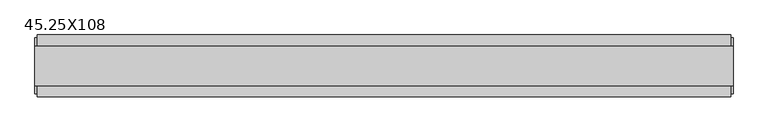
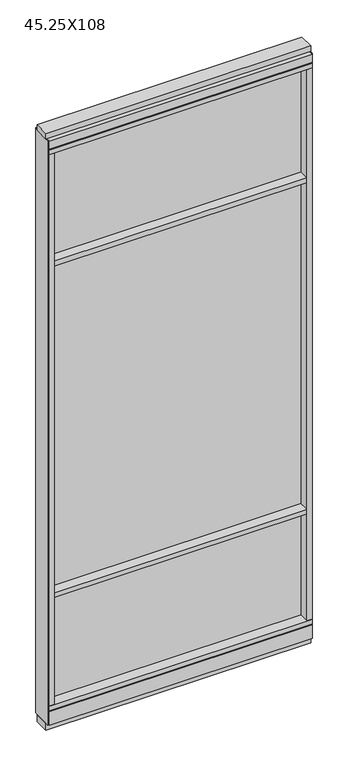
"""IFC4 building model written with IfcOpenShell, lengths in millimetres: furniture geometry, 45.25X108."""

from ifc_helpers import new_model, si_unit, frame, origin, origin_with_axes, place, context, project, spatial, polyline, outline, extrude, source, transform, mapped, element, save


def furniture_45_25x108_cd385aa8(model_context):
    return source(origin(), model_context, "Body", "SweptSolid", [
        extrude(outline(polyline([(-608.5495229, 0.5622784), (488.4764771, 0.5622784), (488.4764771, -9.5977216), (-608.5495229, -9.5977216), (-608.5495229, 0.5622784)])), frame((0.0, 0.0, 2155.825), z_axis=(0.0, 0.0, 1.0), x_axis=(1.0, 0.0, 0.0)), (0.0, 0.0, 1.0), 498.475),
        extrude(outline(polyline([(-608.5495229, 0.5622784), (488.4764771, 0.5622784), (488.4764771, -9.5977216), (-608.5495229, -9.5977216), (-608.5495229, 0.5622784)])), frame((0.0, 0.0, 631.825), z_axis=(0.0, 0.0, 1.0), x_axis=(1.0, 0.0, 0.0)), (0.0, 0.0, 1.0), 1501.775),
        extrude(outline(polyline([(-608.5495229, -52.3332216), (-608.5495229, 43.2977784), (488.4764771, 43.2977784), (488.4764771, -52.3332216), (-608.5495229, -52.3332216)])), frame((0.0, 0.0, 2133.6), z_axis=(0.0, 0.0, 1.0), x_axis=(1.0, 0.0, 0.0)), (0.0, 0.0, 1.0), 22.225),
        extrude(outline(polyline([(-608.5495229, -52.3332216), (-608.5495229, 43.2977784), (488.4764771, 43.2977784), (488.4764771, -52.3332216), (-608.5495229, -52.3332216)])), frame((0.0, 0.0, 609.6), z_axis=(0.0, 0.0, 1.0), x_axis=(1.0, 0.0, 0.0)), (0.0, 0.0, 1.0), 22.225),
        extrude(outline(polyline([(488.4764771, -9.5977216), (-608.5495229, -9.5977216), (-608.5495229, 0.5622784), (488.4764771, 0.5622784), (488.4764771, -9.5977216)])), frame((0.0, 0.0, 120.523), z_axis=(0.0, 0.0, 1.0), x_axis=(1.0, 0.0, 0.0)), (0.0, 0.0, 1.0), 489.077),
        extrude(outline(polyline([(-55.3177216, 93.345), (-50.3647216, 93.345), (-50.3647216, 98.298), (41.3292784, 98.298), (41.3292784, 93.345), (46.2822784, 93.345), (46.2822784, 31.75), (-55.3177216, 31.75), (-55.3177216, 93.345)])), frame((-630.7745229, 0.0, 0.0), z_axis=(1.0, 0.0, 0.0), x_axis=(0.0, 1.0, 0.0)), (0.0, 0.0, 1.0), 1141.476),
        extrude(outline(polyline([(-630.7745229, -55.3177216), (-630.7745229, 46.2822784), (510.7014771, 46.2822784), (510.7014771, -55.3177216), (-630.7745229, -55.3177216)])), frame((0.0, 0.0, 98.298), z_axis=(0.0, 0.0, 1.0), x_axis=(1.0, 0.0, 0.0)), (0.0, 0.0, 1.0), 22.225),
        extrude(outline(polyline([(514.6384771, 27.9942784), (514.6384771, -37.0297216), (-634.7115229, -37.0297216), (-634.7115229, 27.9942784), (514.6384771, 27.9942784)])), origin_with_axes(), (0.0, 0.0, 1.0), 31.75),
        extrude(outline(polyline([(-634.7115229, -37.0297216), (-634.7115229, 27.9942784), (514.6384771, 27.9942784), (514.6384771, -37.0297216), (-634.7115229, -37.0297216)])), frame((0.0, 0.0, 2717.8), z_axis=(0.0, 0.0, 1.0), x_axis=(1.0, 0.0, 0.0)), (0.0, 0.0, 1.0), 25.4),
        extrude(outline(polyline([(-55.3177216, 2681.478), (-55.3177216, 2717.8), (46.2822784, 2717.8), (46.2822784, 2681.478), (41.3292784, 2681.478), (41.3292784, 2676.525), (-50.3647216, 2676.525), (-50.3647216, 2681.478), (-55.3177216, 2681.478)])), frame((-630.7745229, 0.0, 0.0), z_axis=(1.0, 0.0, 0.0), x_axis=(0.0, 1.0, 0.0)), (0.0, 0.0, 1.0), 1141.476),
        extrude(outline(polyline([(510.7014771, 46.2822784), (510.7014771, -55.3177216), (-630.7745229, -55.3177216), (-630.7745229, 46.2822784), (510.7014771, 46.2822784)])), frame((0.0, 0.0, 2654.3), z_axis=(0.0, 0.0, 1.0), x_axis=(1.0, 0.0, 0.0)), (0.0, 0.0, 1.0), 22.225),
        extrude(outline(polyline([(488.4764771, -55.3177216), (488.4764771, 46.2822784), (510.7014771, 46.2822784), (510.7014771, -55.3177216), (488.4764771, -55.3177216)])), frame((0.0, 0.0, 120.523), z_axis=(0.0, 0.0, 1.0), x_axis=(1.0, 0.0, 0.0)), (0.0, 0.0, 1.0), 2533.777),
        extrude(outline(polyline([(-608.5495229, -55.3177216), (-630.7745229, -55.3177216), (-630.7745229, 46.2822784), (-608.5495229, 46.2822784), (-608.5495229, -55.3177216)])), frame((0.0, 0.0, 120.523), z_axis=(0.0, 0.0, 1.0), x_axis=(1.0, 0.0, 0.0)), (0.0, 0.0, 1.0), 2533.777),
        extrude(outline(polyline([(514.6384771, -50.3647216), (510.7014771, -50.3647216), (510.7014771, 41.3292784), (514.6384771, 41.3292784), (514.6384771, -50.3647216)])), frame((0.0, 0.0, 31.75), z_axis=(0.0, 0.0, 1.0), x_axis=(1.0, 0.0, 0.0)), (0.0, 0.0, 1.0), 2686.05),
        extrude(outline(polyline([(-634.7115229, -50.3647216), (-634.7115229, 41.3292784), (-630.7745229, 41.3292784), (-630.7745229, -50.3647216), (-634.7115229, -50.3647216)])), frame((0.0, 0.0, 31.75), z_axis=(0.0, 0.0, 1.0), x_axis=(1.0, 0.0, 0.0)), (0.0, 0.0, 1.0), 2686.05),
    ])


if __name__ == "__main__":
    model = new_model("IFC4")
    model_context = context("Model", 3, world=origin())
    ifc_project = project(units=[si_unit("LENGTHUNIT", "METRE", prefix="MILLI")], contexts=[model_context])
    site = spatial("IfcSite", under=ifc_project)
    building = spatial("IfcBuilding", under=site)
    placement = place(None, origin())
    furniture_45_25x108_shape = furniture_45_25x108_cd385aa8(model_context)
    element("IfcFurniture", 1, ObjectType="45.25X108", at=placement, inside=building, context=model_context, shape_type="MappedRepresentation", body=[
        mapped(furniture_45_25x108_shape, transform((0.0, 0.0, 0.0), x_axis=(1.0, 0.0, 0.0), y_axis=(0.0, 1.0, 0.0), z_axis=(0.0, 0.0, 1.0))),
    ])
    save(model, "model.ifc")
